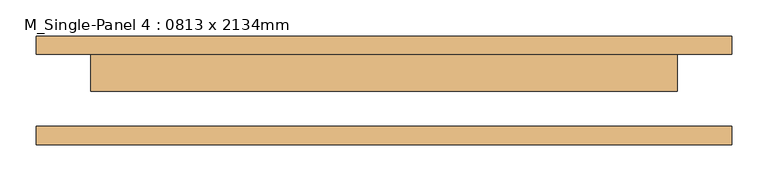
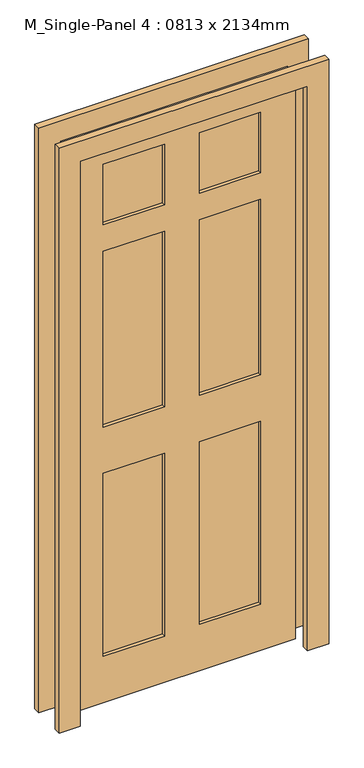
"""IFC4 building model written with IfcOpenShell, lengths in millimetres: door geometry, M_Single-Panel 4 : 0813 x 2134mm."""

from ifc_helpers import new_model, si_unit, frame, origin, place, context, project, spatial, polyline, outline, extrude, source, transform, mapped, element, save


def m_single_panel_4_0813_x_2134mm_8bfd4d92(model_context):
    return source(origin(), model_context, "Body", "SweptSolid", [
        extrude(outline(polyline([(0.0, -482.5), (0.0, -406.5), (2134.0, -406.5), (2134.0, 406.5), (0.0, 406.5), (0.0, 482.5), (2210.0, 482.5), (2210.0, -482.5), (0.0, -482.5)])), frame((0.0, -75.0, 0.0), z_axis=(0.0, 1.0, 0.0), x_axis=(0.0, 0.0, 1.0)), (0.0, 0.0, 1.0), 25.0),
        extrude(outline(polyline([(0.0, 482.5), (2210.0, 482.5), (2210.0, -482.5), (0.0, -482.5), (0.0, -406.5), (2134.0, -406.5), (2134.0, 406.5), (0.0, 406.5), (0.0, 482.5)])), frame((0.0, 50.4, 0.0), z_axis=(0.0, 1.0, 0.0), x_axis=(0.0, 0.0, 1.0)), (0.0, 0.0, 1.0), 25.0),
        extrude(outline(polyline([(-62.5, 11.7), (-281.5, 11.7), (-281.5, 37.3), (-62.5, 37.3), (-62.5, 11.7)])), frame((0.0, 0.0, 1805.4), z_axis=(0.0, 0.0, 1.0), x_axis=(1.0, 0.0, 0.0)), (0.0, 0.0, 1.0), 228.6),
        extrude(outline(polyline([(281.5, 11.7), (62.5, 11.7), (62.5, 37.3), (281.5, 37.3), (281.5, 11.7)])), frame((0.0, 0.0, 1805.4), z_axis=(0.0, 0.0, 1.0), x_axis=(1.0, 0.0, 0.0)), (0.0, 0.0, 1.0), 228.6),
        extrude(outline(polyline([(-62.5, 11.7), (-281.5, 11.7), (-281.5, 37.3), (-62.5, 37.3), (-62.5, 11.7)])), frame((0.0, 0.0, 1041.4), z_axis=(0.0, 0.0, 1.0), x_axis=(1.0, 0.0, 0.0)), (0.0, 0.0, 1.0), 664.0),
        extrude(outline(polyline([(281.5, 11.7), (62.5, 11.7), (62.5, 37.3), (281.5, 37.3), (281.5, 11.7)])), frame((0.0, 0.0, 1041.4), z_axis=(0.0, 0.0, 1.0), x_axis=(1.0, 0.0, 0.0)), (0.0, 0.0, 1.0), 664.0),
        extrude(outline(polyline([(-62.5, 11.7), (-281.5, 11.7), (-281.5, 37.3), (-62.5, 37.3), (-62.5, 11.7)])), frame((0.0, 0.0, 175.0), z_axis=(0.0, 0.0, 1.0), x_axis=(1.0, 0.0, 0.0)), (0.0, 0.0, 1.0), 691.4),
        extrude(outline(polyline([(281.5, 11.7), (62.5, 11.7), (62.5, 37.3), (281.5, 37.3), (281.5, 11.7)])), frame((0.0, 0.0, 175.0), z_axis=(0.0, 0.0, 1.0), x_axis=(1.0, 0.0, 0.0)), (0.0, 0.0, 1.0), 691.4),
        extrude(outline(polyline([(2134.0, 406.5), (2134.0, -406.5), (0.0, -406.5), (0.0, 406.5), (2134.0, 406.5)]), holes=[polyline([(2034.0, -62.5), (1805.4, -62.5), (1805.4, -281.5), (2034.0, -281.5), (2034.0, -62.5)]), polyline([(2034.0, 281.5), (1805.4, 281.5), (1805.4, 62.5), (2034.0, 62.5), (2034.0, 281.5)]), polyline([(1705.4, -62.5), (1041.4, -62.5), (1041.4, -281.5), (1705.4, -281.5), (1705.4, -62.5)]), polyline([(1705.4, 281.5), (1041.4, 281.5), (1041.4, 62.5), (1705.4, 62.5), (1705.4, 281.5)]), polyline([(866.4, -62.5), (175.0, -62.5), (175.0, -281.5), (866.4, -281.5), (866.4, -62.5)]), polyline([(866.4, 281.5), (175.0, 281.5), (175.0, 62.5), (866.4, 62.5), (866.4, 281.5)])]), frame((0.0, -1.0, 0.0), z_axis=(0.0, 1.0, 0.0), x_axis=(0.0, 0.0, 1.0)), (0.0, 0.0, 1.0), 51.0),
    ])


if __name__ == "__main__":
    model = new_model("IFC4")
    model_context = context("Model", 3, world=origin())
    ifc_project = project(units=[si_unit("LENGTHUNIT", "METRE", prefix="MILLI")], contexts=[model_context])
    site = spatial("IfcSite", under=ifc_project)
    building = spatial("IfcBuilding", under=site)
    placement = place(None, origin())
    m_single_panel_4_0813_x_2134mm_shape = m_single_panel_4_0813_x_2134mm_8bfd4d92(model_context)
    element("IfcDoor", 1, ObjectType="M_Single-Panel 4 : 0813 x 2134mm", at=placement, inside=building, context=model_context, shape_type="MappedRepresentation", body=[
        mapped(m_single_panel_4_0813_x_2134mm_shape, transform((0.0, 0.0, 0.0), x_axis=(1.0, 0.0, 0.0), y_axis=(0.0, 1.0, 0.0), z_axis=(0.0, 0.0, 1.0))),
    ])
    save(model, "model.ifc")
